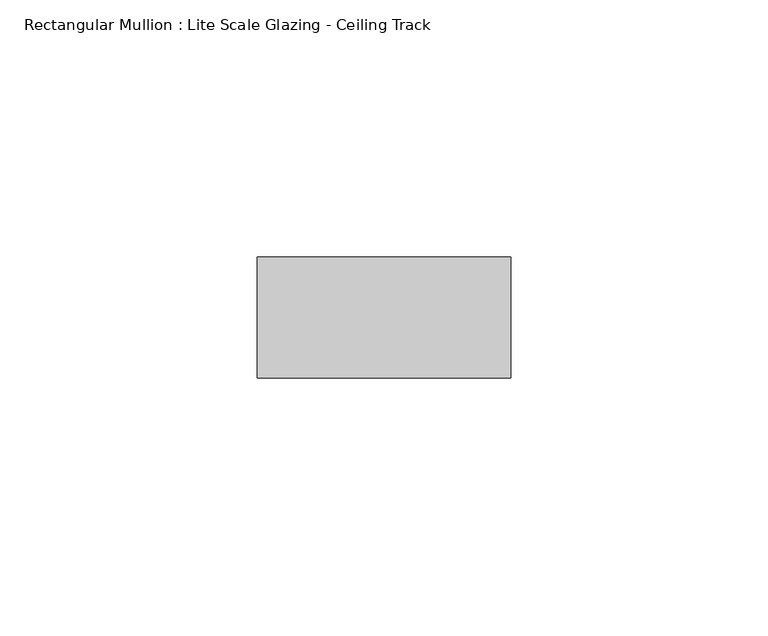
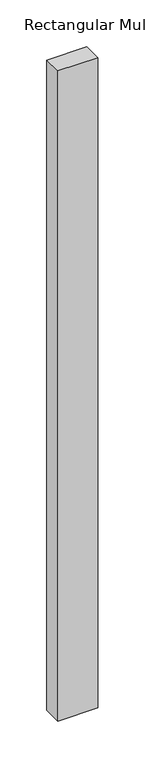
"""IFC4 building model written with IfcOpenShell, lengths in millimetres: member geometry, Rectangular Mullion : Lite Scale Glazing - Ceiling Track."""

import ifcopenshell
import ifcopenshell.guid

model = None  # the IFC model being written
_history = None  # IfcOwnerHistory: only IFC2X3 demands one
_inside = {}  # id of a spatial element -> (the spatial element, [elements in it])
_under = {}  # id of a project, library or spatial element -> (it, [spatial elements below it])
_declared = {}  # id of a project -> (the project, [libraries it declares])
_typed = {}  # id of a type object -> (the type object, [elements of that type])
_made_of = {}  # id of a material, layer set ... -> (it, [elements and type objects made of it])


def new_model(schema):
    """Start an empty IFC model of exactly this schema.

    Asked for "IFC4X3", IfcOpenShell would pick the latest addendum, in which some entities
    have other attributes; the version numbers below select the first issue.
    IFC2X3 requires an IfcOwnerHistory on every rooted entity: one is made here for all.
    """
    global model, _history
    if schema == "IFC4X3":
        model = ifcopenshell.file(schema_version=(4, 3, 0, 0))
    else:
        model = ifcopenshell.file(schema=schema)
    _inside.clear()
    _under.clear()
    _declared.clear()
    _typed.clear()
    _made_of.clear()
    _history = None
    if model.schema == "IFC2X3":
        org = make("IfcOrganization", Name="unknown")
        user = make(
            "IfcPersonAndOrganization",
            ThePerson=make("IfcPerson", FamilyName="unknown"),
            TheOrganization=org,
        )
        app = make(
            "IfcApplication",
            ApplicationDeveloper=org,
            Version="unknown",
            ApplicationFullName="unknown",
            ApplicationIdentifier="unknown",
        )
        _history = make(
            "IfcOwnerHistory",
            OwningUser=user,
            OwningApplication=app,
            ChangeAction="ADDED",
            CreationDate=0,
        )
    return model


def make(cls, **values):
    """One entity of the class cls with the attributes given. An attribute that is None is left unset."""
    return model.create_entity(
        cls, **{name: value for name, value in values.items() if value is not None}
    )


def rooted(cls, **values):
    """An entity with a GlobalId (a new one), such as an element, a storey or a relation."""
    return make(cls, GlobalId=ifcopenshell.guid.new(), OwnerHistory=_history, **values)


def si_unit(unit_type, name, prefix=None):
    """IfcSIUnit, for example si_unit("LENGTHUNIT", "METRE", prefix="MILLI")."""
    return make("IfcSIUnit", UnitType=unit_type, Prefix=prefix, Name=name)


def assignment(units):
    """IfcUnitAssignment: the units of a project."""
    return None if units is None else make("IfcUnitAssignment", Units=units)


def point(xyz):
    """IfcCartesianPoint."""
    return None if xyz is None else make("IfcCartesianPoint", Coordinates=xyz)


def direction(xyz):
    """IfcDirection."""
    return None if xyz is None else make("IfcDirection", DirectionRatios=xyz)


def frame(location, z_axis=None, x_axis=None):
    """IfcAxis2Placement3D, a coordinate frame: its origin and axes. An axis left out is left unset."""
    return make(
        "IfcAxis2Placement3D",
        Location=point(location),
        Axis=direction(z_axis),
        RefDirection=direction(x_axis),
    )


def origin():
    """The frame at (0, 0, 0) with its axes left unset."""
    return frame((0.0, 0.0, 0.0))


def place(relative_to, where):
    """IfcLocalPlacement: puts the frame where relative to a parent placement (None: the world)."""
    return make(
        "IfcLocalPlacement", PlacementRelTo=relative_to, RelativePlacement=where
    )


def context(
    kind, dimensions, precision=None, world=None, true_north=None, identifier=None
):
    """IfcGeometricRepresentationContext, for example the 3D "Model" context."""
    return make(
        "IfcGeometricRepresentationContext",
        ContextIdentifier=identifier,
        ContextType=kind,
        CoordinateSpaceDimension=dimensions,
        Precision=precision,
        WorldCoordinateSystem=world,
        TrueNorth=true_north,
    )


def project(units=None, contexts=None):
    """IfcProject with its units and contexts."""
    return rooted(
        "IfcProject",
        Name="project",
        RepresentationContexts=contexts,
        UnitsInContext=assignment(units),
    )


def spatial(cls, under=None, at=None, **own):
    """A site, building, storey or space (cls), placed at a placement, below another one or the project."""
    s = rooted(cls, ObjectPlacement=at, **own)
    if under is not None:
        _under.setdefault(under.id(), (under, []))[1].append(s)
    return s


def polyline(points):
    """IfcPolyline through the points."""
    return make("IfcPolyline", Points=[point(p) for p in points])


def outline(outer, holes=None, kind="AREA"):
    """IfcArbitraryClosedProfileDef: a profile drawn as a closed curve; with holes, ...WithVoids."""
    if holes is None:
        return make("IfcArbitraryClosedProfileDef", ProfileType=kind, OuterCurve=outer)
    return make(
        "IfcArbitraryProfileDefWithVoids",
        ProfileType=kind,
        OuterCurve=outer,
        InnerCurves=holes,
    )


def extrude(swept, where, along, depth):
    """IfcExtrudedAreaSolid: the profile swept, set in the frame where, extruded along a direction by depth."""
    return make(
        "IfcExtrudedAreaSolid",
        SweptArea=swept,
        Position=where,
        ExtrudedDirection=direction(along),
        Depth=depth,
    )


def shape(context_of_items, identifier, shape_type, items):
    """IfcShapeRepresentation: the items that make up one representation, for example the "Body"."""
    return make(
        "IfcShapeRepresentation",
        ContextOfItems=context_of_items,
        RepresentationIdentifier=identifier,
        RepresentationType=shape_type,
        Items=items,
    )


def source(mapping_origin, context_of_items, identifier, shape_type, items):
    """IfcRepresentationMap: a shape defined once, which mapped items show again and again."""
    return make(
        "IfcRepresentationMap",
        MappingOrigin=mapping_origin,
        MappedRepresentation=shape(context_of_items, identifier, shape_type, items),
    )


def transform(
    local_origin,
    x_axis=None,
    y_axis=None,
    z_axis=None,
    scale=None,
    scale2=None,
    scale3=None,
    uniform=True,
):
    """IfcCartesianTransformationOperator3D, or its non-uniform kind. x_axis, y_axis, z_axis: its Axis1, 2, 3."""
    if uniform:
        return make(
            "IfcCartesianTransformationOperator3D",
            Axis1=direction(x_axis),
            Axis2=direction(y_axis),
            LocalOrigin=point(local_origin),
            Scale=scale,
            Axis3=direction(z_axis),
        )
    return make(
        "IfcCartesianTransformationOperator3DnonUniform",
        Axis1=direction(x_axis),
        Axis2=direction(y_axis),
        LocalOrigin=point(local_origin),
        Scale=scale,
        Axis3=direction(z_axis),
        Scale2=scale2,
        Scale3=scale3,
    )


def mapped(mapping_source, mapping_target):
    """IfcMappedItem: shows the shape of a source again, moved by a transform."""
    return make(
        "IfcMappedItem", MappingSource=mapping_source, MappingTarget=mapping_target
    )


def made_of(thing, what):
    """Note that an element or type object is made of a material, layer set ...; save() writes the relation."""
    if what is not None:
        _made_of.setdefault(what.id(), (what, []))[1].append(thing)
    return thing


def element(
    cls,
    number,
    at=None,
    inside=None,
    cuts=None,
    type_object=None,
    material=None,
    context=None,
    identifier="Body",
    shape_type=None,
    held_by="IfcProductDefinitionShape",
    body=None,
    shapes=None,
    **own,
):
    """One element of the class cls, such as IfcWall. Its Tag is "e" and its number.

    at: its placement. inside: the storey or other place that contains it. cuts: it is an
    opening in that element (IfcRelVoidsElement). A single representation is given by context,
    identifier, shape_type and body (its items); several are given by shapes. held_by: the class
    of the entity that holds the representations. save() writes the other relations.
    """
    e = rooted(cls, Tag="e%d" % number, ObjectPlacement=at, **own)
    if body is not None:
        shapes = [shape(context, identifier, shape_type, body)]
    if shapes is not None:
        e.Representation = make(held_by, Representations=shapes)
    if inside is not None:
        _inside.setdefault(inside.id(), (inside, []))[1].append(e)
    if cuts is not None:
        rooted(
            "IfcRelVoidsElement", RelatingBuildingElement=cuts, RelatedOpeningElement=e
        )
    if type_object is not None:
        _typed.setdefault(type_object.id(), (type_object, []))[1].append(e)
    return made_of(e, material)


def aggregate(whole, parts):
    """IfcRelAggregates: a whole, such as a stair, and the parts it consists of."""
    return rooted("IfcRelAggregates", RelatingObject=whole, RelatedObjects=parts)


def save(model, path):
    """Write the relations noted so far, then the file.

    IfcRelAggregates (storeys below a building ...), IfcRelContainedInSpatialStructure (elements
    in a storey), IfcRelDefinesByType, IfcRelAssociatesMaterial and IfcRelDeclares: one each for
    every whole, place, type object, material and project.
    """
    for whole, parts in _under.values():
        aggregate(whole, parts)
    for where, things in _inside.values():
        rooted(
            "IfcRelContainedInSpatialStructure",
            RelatedElements=things,
            RelatingStructure=where,
        )
    for kind, things in _typed.values():
        rooted("IfcRelDefinesByType", RelatedObjects=things, RelatingType=kind)
    for what, things in _made_of.values():
        rooted("IfcRelAssociatesMaterial", RelatedObjects=things, RelatingMaterial=what)
    for by, libraries in _declared.values():
        rooted("IfcRelDeclares", RelatingContext=by, RelatedDefinitions=libraries)
    model.write(path)


def rectangular_mullion_lite_scale_glazing_ceiling_track_bc2b7989(model_context):
    return source(origin(), model_context, "Body", "SweptSolid", [
        extrude(outline(polyline([(-49.276, -11.7474999), (-49.276, 11.7474999), (0.0, 11.7474999), (0.0, -11.7474999), (-49.276, -11.7474999)])), frame((0.0, 0.0, -847.5437045), z_axis=(0.0, 0.0, 1.0), x_axis=(1.0, 0.0, 0.0)), (0.0, 0.0, 1.0), 847.5437045),
    ])


if __name__ == "__main__":
    model = new_model("IFC4")
    model_context = context("Model", 3, world=origin())
    ifc_project = project(units=[si_unit("LENGTHUNIT", "METRE", prefix="MILLI")], contexts=[model_context])
    site = spatial("IfcSite", under=ifc_project)
    building = spatial("IfcBuilding", under=site)
    placement = place(None, origin())
    rectangular_mullion_lite_scale_glazing_ceiling_track_shape = rectangular_mullion_lite_scale_glazing_ceiling_track_bc2b7989(model_context)
    element("IfcMember", 1, ObjectType="Rectangular Mullion : Lite Scale Glazing - Ceiling Track", at=placement, inside=building, context=model_context, shape_type="MappedRepresentation", body=[
        mapped(rectangular_mullion_lite_scale_glazing_ceiling_track_shape, transform((0.0, 0.0, 0.0), x_axis=(1.0, 0.0, 0.0), y_axis=(0.0, 1.0, 0.0), z_axis=(0.0, 0.0, 1.0))),
    ])
    save(model, "model.ifc")
